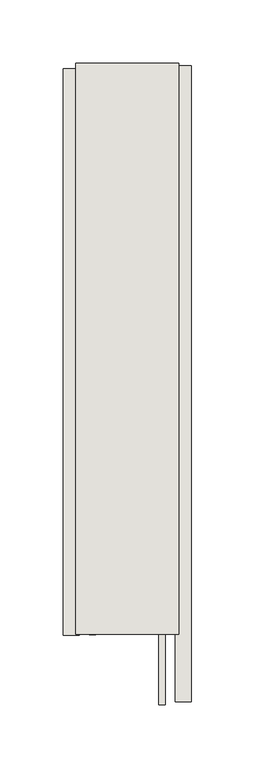
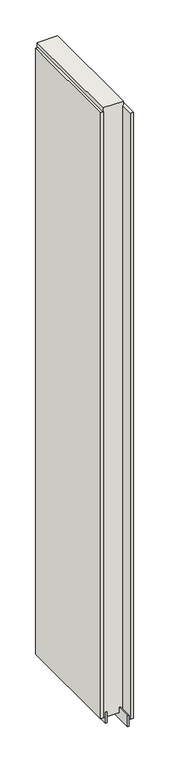
"""IFC4 building model written with IfcOpenShell, lengths in millimetres: wall geometry."""

from ifc_helpers import new_model, si_unit, frame, origin, place, context, project, spatial, polyline, outline, extrude, source, transform, mapped, element, save


def wall_637e6b66(model_context):
    return source(origin(), model_context, "Body", "SweptSolid", [
        extrude(outline(polyline([(78033.282211, -39701.5220954), (78033.282211, -39704.0620954), (78030.742211, -39704.0620954), (78030.742211, -39701.5220954), (78033.282211, -39701.5220954)])), frame((0.0, 0.0, 4419.6), z_axis=(0.0, 0.0, 1.0), x_axis=(1.0, 0.0, 0.0)), (0.0, 0.0, 1.0), 2.54),
        extrude(outline(polyline([(77981.212211, -40154.3702372), (77981.212211, -39705.9892696), (77993.912211, -39705.9892696), (77993.912211, -40154.3702372), (77981.212211, -40154.3702372)])), frame((0.0, 0.0, 4445.0), z_axis=(0.0, 0.0, 1.0), x_axis=(1.0, 0.0, 0.0)), (0.0, 0.0, 1.0), 2545.0498756),
        extrude(outline(polyline([(78082.812211, -39703.5253172), (78082.812211, -40207.2063012), (78070.112211, -40207.2063012), (78070.112211, -39703.5253172), (78082.812211, -39703.5253172)])), frame((0.0, 0.0, 4445.0), z_axis=(0.0, 0.0, 1.0), x_axis=(1.0, 0.0, 0.0)), (0.0, 0.0, 1.0), 2545.0498756),
        extrude(outline(polyline([(78006.9284664, -39701.5208508), (78006.9284664, -40153.8963494), (78001.849711, -40153.8963494), (78001.849711, -39701.5208508), (78006.9284664, -39701.5208508)])), frame((0.0, 0.0, 4418.6602), z_axis=(0.0, 0.0, 1.0), x_axis=(1.0, 0.0, 0.0)), (0.0, 0.0, 1.0), 47.625),
        extrude(outline(polyline([(78006.9284664, -39701.5208508), (78006.9284664, -40153.8963494), (78001.849711, -40153.8963494), (78001.849711, -39701.5208508), (78006.9284664, -39701.5208508)])), frame((0.0, 0.0, 4418.6602), z_axis=(0.0, 0.0, 1.0), x_axis=(1.0, 0.0, 0.0)), (0.0, 0.0, 1.0), 47.625),
        extrude(outline(polyline([(78057.0959556, -40209.2169906), (78057.0959556, -39701.5208508), (78062.174711, -39701.5208508), (78062.174711, -40209.2169906), (78057.0959556, -40209.2169906)])), frame((0.0, 0.0, 4418.6602), z_axis=(0.0, 0.0, 1.0), x_axis=(1.0, 0.0, 0.0)), (0.0, 0.0, 1.0), 47.625),
        extrude(outline(polyline([(78057.0959556, -40209.2169906), (78057.0959556, -39701.5208508), (78062.174711, -39701.5208508), (78062.174711, -40209.2169906), (78057.0959556, -40209.2169906)])), frame((0.0, 0.0, 4418.6602), z_axis=(0.0, 0.0, 1.0), x_axis=(1.0, 0.0, 0.0)), (0.0, 0.0, 1.0), 47.625),
        extrude(outline(polyline([(77991.3573266, -39701.5208508), (78072.6670954, -39701.5208508), (78072.6670954, -40153.8963494), (77991.3573266, -40153.8963494), (77991.3573266, -39701.5208508)])), frame((0.0, 0.0, 4445.0), z_axis=(0.0, 0.0, 1.0), x_axis=(1.0, 0.0, 0.0)), (0.0, 0.0, 1.0), 2562.4536762),
    ])


if __name__ == "__main__":
    model = new_model("IFC4")
    model_context = context("Model", 3, world=origin())
    ifc_project = project(units=[si_unit("LENGTHUNIT", "METRE", prefix="MILLI")], contexts=[model_context])
    site = spatial("IfcSite", under=ifc_project)
    building = spatial("IfcBuilding", under=site)
    placement = place(None, origin())
    wall_shape = wall_637e6b66(model_context)
    element("IfcWall", 1, at=placement, inside=building, context=model_context, shape_type="MappedRepresentation", body=[
        mapped(wall_shape, transform((0.0, 0.0, 0.0), x_axis=(1.0, 0.0, 0.0), y_axis=(0.0, 1.0, 0.0), z_axis=(0.0, 0.0, 1.0))),
    ])
    save(model, "model.ifc")
